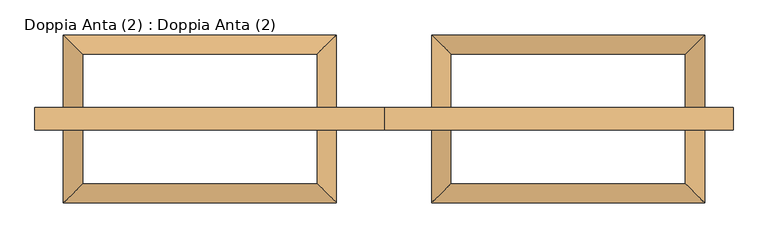
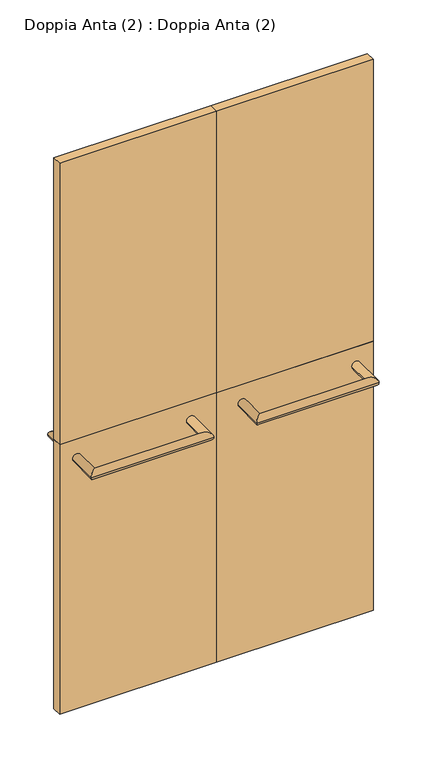
"""IFC4 building model written with IfcOpenShell, lengths in millimetres: door geometry, Doppia Anta (2) : Doppia Anta (2)."""

import ifcopenshell
import ifcopenshell.guid

model = None  # the IFC model being written
_history = None  # IfcOwnerHistory: only IFC2X3 demands one
_inside = {}  # id of a spatial element -> (the spatial element, [elements in it])
_under = {}  # id of a project, library or spatial element -> (it, [spatial elements below it])
_declared = {}  # id of a project -> (the project, [libraries it declares])
_typed = {}  # id of a type object -> (the type object, [elements of that type])
_made_of = {}  # id of a material, layer set ... -> (it, [elements and type objects made of it])


def new_model(schema):
    """Start an empty IFC model of exactly this schema.

    Asked for "IFC4X3", IfcOpenShell would pick the latest addendum, in which some entities
    have other attributes; the version numbers below select the first issue.
    IFC2X3 requires an IfcOwnerHistory on every rooted entity: one is made here for all.
    """
    global model, _history
    if schema == "IFC4X3":
        model = ifcopenshell.file(schema_version=(4, 3, 0, 0))
    else:
        model = ifcopenshell.file(schema=schema)
    _inside.clear()
    _under.clear()
    _declared.clear()
    _typed.clear()
    _made_of.clear()
    _history = None
    if model.schema == "IFC2X3":
        org = make("IfcOrganization", Name="unknown")
        user = make(
            "IfcPersonAndOrganization",
            ThePerson=make("IfcPerson", FamilyName="unknown"),
            TheOrganization=org,
        )
        app = make(
            "IfcApplication",
            ApplicationDeveloper=org,
            Version="unknown",
            ApplicationFullName="unknown",
            ApplicationIdentifier="unknown",
        )
        _history = make(
            "IfcOwnerHistory",
            OwningUser=user,
            OwningApplication=app,
            ChangeAction="ADDED",
            CreationDate=0,
        )
    return model


def make(cls, **values):
    """One entity of the class cls with the attributes given. An attribute that is None is left unset."""
    return model.create_entity(
        cls, **{name: value for name, value in values.items() if value is not None}
    )


def rooted(cls, **values):
    """An entity with a GlobalId (a new one), such as an element, a storey or a relation."""
    return make(cls, GlobalId=ifcopenshell.guid.new(), OwnerHistory=_history, **values)


def si_unit(unit_type, name, prefix=None):
    """IfcSIUnit, for example si_unit("LENGTHUNIT", "METRE", prefix="MILLI")."""
    return make("IfcSIUnit", UnitType=unit_type, Prefix=prefix, Name=name)


def assignment(units):
    """IfcUnitAssignment: the units of a project."""
    return None if units is None else make("IfcUnitAssignment", Units=units)


def point(xyz):
    """IfcCartesianPoint."""
    return None if xyz is None else make("IfcCartesianPoint", Coordinates=xyz)


def direction(xyz):
    """IfcDirection."""
    return None if xyz is None else make("IfcDirection", DirectionRatios=xyz)


def frame(location, z_axis=None, x_axis=None):
    """IfcAxis2Placement3D, a coordinate frame: its origin and axes. An axis left out is left unset."""
    return make(
        "IfcAxis2Placement3D",
        Location=point(location),
        Axis=direction(z_axis),
        RefDirection=direction(x_axis),
    )


def origin():
    """The frame at (0, 0, 0) with its axes left unset."""
    return frame((0.0, 0.0, 0.0))


def origin_with_axes():
    """The frame at (0, 0, 0) with the z axis (0, 0, 1) and the x axis (1, 0, 0) written out."""
    return frame((0.0, 0.0, 0.0), z_axis=(0.0, 0.0, 1.0), x_axis=(1.0, 0.0, 0.0))


def place(relative_to, where):
    """IfcLocalPlacement: puts the frame where relative to a parent placement (None: the world)."""
    return make(
        "IfcLocalPlacement", PlacementRelTo=relative_to, RelativePlacement=where
    )


def context(
    kind, dimensions, precision=None, world=None, true_north=None, identifier=None
):
    """IfcGeometricRepresentationContext, for example the 3D "Model" context."""
    return make(
        "IfcGeometricRepresentationContext",
        ContextIdentifier=identifier,
        ContextType=kind,
        CoordinateSpaceDimension=dimensions,
        Precision=precision,
        WorldCoordinateSystem=world,
        TrueNorth=true_north,
    )


def project(units=None, contexts=None):
    """IfcProject with its units and contexts."""
    return rooted(
        "IfcProject",
        Name="project",
        RepresentationContexts=contexts,
        UnitsInContext=assignment(units),
    )


def spatial(cls, under=None, at=None, **own):
    """A site, building, storey or space (cls), placed at a placement, below another one or the project."""
    s = rooted(cls, ObjectPlacement=at, **own)
    if under is not None:
        _under.setdefault(under.id(), (under, []))[1].append(s)
    return s


def polyline(points):
    """IfcPolyline through the points."""
    return make("IfcPolyline", Points=[point(p) for p in points])


def circle_curve(where, radius):
    """IfcCircle in the frame where."""
    return make("IfcCircle", Position=where, Radius=radius)


def ellipse_curve(where, semi_axis1, semi_axis2):
    """IfcEllipse in the frame where."""
    return make(
        "IfcEllipse", Position=where, SemiAxis1=semi_axis1, SemiAxis2=semi_axis2
    )


def outline(outer, holes=None, kind="AREA"):
    """IfcArbitraryClosedProfileDef: a profile drawn as a closed curve; with holes, ...WithVoids."""
    if holes is None:
        return make("IfcArbitraryClosedProfileDef", ProfileType=kind, OuterCurve=outer)
    return make(
        "IfcArbitraryProfileDefWithVoids",
        ProfileType=kind,
        OuterCurve=outer,
        InnerCurves=holes,
    )


def extrude(swept, where, along, depth):
    """IfcExtrudedAreaSolid: the profile swept, set in the frame where, extruded along a direction by depth."""
    return make(
        "IfcExtrudedAreaSolid",
        SweptArea=swept,
        Position=where,
        ExtrudedDirection=direction(along),
        Depth=depth,
    )


def shape(context_of_items, identifier, shape_type, items):
    """IfcShapeRepresentation: the items that make up one representation, for example the "Body"."""
    return make(
        "IfcShapeRepresentation",
        ContextOfItems=context_of_items,
        RepresentationIdentifier=identifier,
        RepresentationType=shape_type,
        Items=items,
    )


def source(mapping_origin, context_of_items, identifier, shape_type, items):
    """IfcRepresentationMap: a shape defined once, which mapped items show again and again."""
    return make(
        "IfcRepresentationMap",
        MappingOrigin=mapping_origin,
        MappedRepresentation=shape(context_of_items, identifier, shape_type, items),
    )


def transform(
    local_origin,
    x_axis=None,
    y_axis=None,
    z_axis=None,
    scale=None,
    scale2=None,
    scale3=None,
    uniform=True,
):
    """IfcCartesianTransformationOperator3D, or its non-uniform kind. x_axis, y_axis, z_axis: its Axis1, 2, 3."""
    if uniform:
        return make(
            "IfcCartesianTransformationOperator3D",
            Axis1=direction(x_axis),
            Axis2=direction(y_axis),
            LocalOrigin=point(local_origin),
            Scale=scale,
            Axis3=direction(z_axis),
        )
    return make(
        "IfcCartesianTransformationOperator3DnonUniform",
        Axis1=direction(x_axis),
        Axis2=direction(y_axis),
        LocalOrigin=point(local_origin),
        Scale=scale,
        Axis3=direction(z_axis),
        Scale2=scale2,
        Scale3=scale3,
    )


def mapped(mapping_source, mapping_target):
    """IfcMappedItem: shows the shape of a source again, moved by a transform."""
    return make(
        "IfcMappedItem", MappingSource=mapping_source, MappingTarget=mapping_target
    )


def made_of(thing, what):
    """Note that an element or type object is made of a material, layer set ...; save() writes the relation."""
    if what is not None:
        _made_of.setdefault(what.id(), (what, []))[1].append(thing)
    return thing


def element(
    cls,
    number,
    at=None,
    inside=None,
    cuts=None,
    type_object=None,
    material=None,
    context=None,
    identifier="Body",
    shape_type=None,
    held_by="IfcProductDefinitionShape",
    body=None,
    shapes=None,
    **own,
):
    """One element of the class cls, such as IfcWall. Its Tag is "e" and its number.

    at: its placement. inside: the storey or other place that contains it. cuts: it is an
    opening in that element (IfcRelVoidsElement). A single representation is given by context,
    identifier, shape_type and body (its items); several are given by shapes. held_by: the class
    of the entity that holds the representations. save() writes the other relations.
    """
    e = rooted(cls, Tag="e%d" % number, ObjectPlacement=at, **own)
    if body is not None:
        shapes = [shape(context, identifier, shape_type, body)]
    if shapes is not None:
        e.Representation = make(held_by, Representations=shapes)
    if inside is not None:
        _inside.setdefault(inside.id(), (inside, []))[1].append(e)
    if cuts is not None:
        rooted(
            "IfcRelVoidsElement", RelatingBuildingElement=cuts, RelatedOpeningElement=e
        )
    if type_object is not None:
        _typed.setdefault(type_object.id(), (type_object, []))[1].append(e)
    return made_of(e, material)


def aggregate(whole, parts):
    """IfcRelAggregates: a whole, such as a stair, and the parts it consists of."""
    return rooted("IfcRelAggregates", RelatingObject=whole, RelatedObjects=parts)


def save(model, path):
    """Write the relations noted so far, then the file.

    IfcRelAggregates (storeys below a building ...), IfcRelContainedInSpatialStructure (elements
    in a storey), IfcRelDefinesByType, IfcRelAssociatesMaterial and IfcRelDeclares: one each for
    every whole, place, type object, material and project.
    """
    for whole, parts in _under.values():
        aggregate(whole, parts)
    for where, things in _inside.values():
        rooted(
            "IfcRelContainedInSpatialStructure",
            RelatedElements=things,
            RelatingStructure=where,
        )
    for kind, things in _typed.values():
        rooted("IfcRelDefinesByType", RelatedObjects=things, RelatingType=kind)
    for what, things in _made_of.values():
        rooted("IfcRelAssociatesMaterial", RelatedObjects=things, RelatingMaterial=what)
    for by, libraries in _declared.values():
        rooted("IfcRelDeclares", RelatingContext=by, RelatedDefinitions=libraries)
    model.write(path)


def plane_surface(at):
    """IfcPlane: the flat surface through the origin of the frame at, square to its z axis."""
    return make("IfcPlane", Position=at)


def cylinder_surface(at, radius):
    """IfcCylindricalSurface: all points at the distance radius from the z axis of the frame at."""
    return make("IfcCylindricalSurface", Position=at, Radius=radius)


def advanced_brep(points, edges, surfaces, faces):
    """IfcAdvancedBrep: a solid bounded by faces that lie on surfaces and meet in shared edges.

    An edge is (start, end): straight between two places in points (the first is 0);
    or (start, end, curve); or (start, end, curve, False) where it runs against its curve.
    A face is (place in surfaces, loops), or (place, loops, False) where it looks against
    its surface's normal. A loop lists edges by number (the first is 1), with a minus sign
    where the edge is run from its end to its start. The first loop is the outer one.
    """
    corners = [point(p) for p in points]
    vertices = [make("IfcVertexPoint", VertexGeometry=c) for c in corners]
    made = []
    for start, end, *more in edges:
        made.append(
            make(
                "IfcEdgeCurve",
                EdgeStart=vertices[start],
                EdgeEnd=vertices[end],
                EdgeGeometry=more[0] if more else make("IfcPolyline", Points=[corners[start], corners[end]]),
                SameSense=more[1] if len(more) > 1 else True,
            )
        )
    hull = []
    for where, loops, *sense in faces:
        bounds = []
        for j, loop in enumerate(loops):
            ring = [make("IfcOrientedEdge", EdgeElement=made[abs(k) - 1], Orientation=k > 0) for k in loop]
            bounds.append(
                make(
                    "IfcFaceOuterBound" if j == 0 else "IfcFaceBound",
                    Bound=make("IfcEdgeLoop", EdgeList=ring),
                    Orientation=True,
                )
            )
        hull.append(make("IfcAdvancedFace", Bounds=bounds, FaceSurface=surfaces[where], SameSense=sense[0] if sense else True))
    return make("IfcAdvancedBrep", Outer=make("IfcClosedShell", CfsFaces=hull))


def doppia_anta_2_doppia_anta_2_6bb944df(model_context):
    return source(origin(), model_context, "Body", "SolidModel", [
        extrude(outline(polyline([(0.0, -17.5), (-550.1261251, -17.5), (-550.1261251, 17.5), (0.0, 17.5), (0.0, -17.5)])), origin_with_axes(), (0.0, 0.0, 1.0), 1000.0),
        extrude(outline(polyline([(0.0, -17.5), (-550.1261251, -17.5), (-550.1261251, 17.5), (0.0, 17.5), (0.0, -17.5)])), frame((0.0, 0.0, 1000.0), z_axis=(0.0, 0.0, 1.0), x_axis=(1.0, 0.0, 0.0)), (0.0, 0.0, 1.0), 1045.0),
        extrude(outline(polyline([(550.1261251, -17.5), (0.0, -17.5), (0.0, 17.5), (550.1261251, 17.5), (550.1261251, -17.5)])), frame((0.0, 0.0, 1000.0), z_axis=(0.0, 0.0, 1.0), x_axis=(1.0, 0.0, 0.0)), (0.0, 0.0, 1.0), 1045.0),
        extrude(outline(polyline([(550.1261251, -17.5), (0.0, -17.5), (0.0, 17.5), (550.1261251, 17.5), (550.1261251, -17.5)])), origin_with_axes(), (0.0, 0.0, 1.0), 1000.0),
        advanced_brep(
        [(75.08, -17.5, 931.6623818), (105.08, -17.5, 931.6623818), (75.08, -132.5, 931.6623818), (105.08, -102.5, 931.6623818), (505.08, -132.5, 931.6623818), (475.08, -102.5, 931.6623818), (505.08, -17.5, 931.6623818), (475.08, -17.5, 931.6623818)],
        [
            (0, 1, circle_curve(frame((90.08, -17.5, 931.6623818), z_axis=(0.0, 1.0, 0.0), x_axis=(1.0, 0.0, 0.0)), 15.0)),
            (1, 0, circle_curve(frame((90.08, -17.5, 931.6623818), z_axis=(0.0, 1.0, 0.0), x_axis=(1.0, 0.0, 0.0)), 15.0)),
            (0, 2),
            (2, 3, ellipse_curve(frame((90.08, -117.5, 931.6623818), z_axis=(-0.7071067811865475, 0.7071067811865475, 0.0), x_axis=(0.7071067811865474, 0.7071067811865476, 0.0)), 21.2132034, 15.0)),
            (3, 1),
            (3, 2, ellipse_curve(frame((90.08, -117.5, 931.6623818), z_axis=(-0.7071067811865475, 0.7071067811865475, 0.0), x_axis=(0.7071067811865474, 0.7071067811865476, 0.0)), 21.2132034, 15.0)),
            (2, 4),
            (4, 5, ellipse_curve(frame((490.08, -117.5, 931.6623818), z_axis=(-0.7071067811865475, -0.7071067811865475, 0.0), x_axis=(-0.7071067811865476, 0.7071067811865474, 0.0)), 21.2132034, 15.0)),
            (5, 3),
            (5, 4, ellipse_curve(frame((490.08, -117.5, 931.6623818), z_axis=(-0.7071067811865475, -0.7071067811865475, 0.0), x_axis=(-0.7071067811865476, 0.7071067811865474, 0.0)), 21.2132034, 15.0)),
            (6, 7, circle_curve(frame((490.08, -17.5, 931.6623818), z_axis=(0.0, 1.0, 0.0), x_axis=(-1.0, 0.0, 0.0)), 15.0)),
            (7, 6, circle_curve(frame((490.08, -17.5, 931.6623818), z_axis=(0.0, 1.0, 0.0), x_axis=(-1.0, 0.0, 0.0)), 15.0)),
            (4, 6),
            (7, 5),
        ],
        [
            plane_surface(frame((90.08, -17.5, 931.6623818), z_axis=(0.0, 1.0, 0.0), x_axis=(0.0, 0.0, 1.0))),
            cylinder_surface(frame((90.08, -17.5, 931.6623818), z_axis=(0.0, 1.0, 0.0), x_axis=(1.0, 0.0, 0.0)), 15.0),
            cylinder_surface(frame((90.08, -117.5, 931.6623818), z_axis=(-1.0, 0.0, 0.0), x_axis=(0.0, 1.0, 0.0)), 15.0),
            plane_surface(frame((490.08, -17.5, 931.6623818), z_axis=(0.0, 1.0, 0.0), x_axis=(0.0, 0.0, 1.0))),
            cylinder_surface(frame((490.08, -117.5, 931.6623818), z_axis=(0.0, -1.0, 0.0), x_axis=(-1.0, 0.0, 0.0)), 15.0),
        ],
        [
            (0, [[1, 2]]),
            (1, [[-1, 3, 4, 5]]),
            (1, [[-2, -5, 6, -3]]),
            (2, [[-4, 7, 8, 9]]),
            (2, [[-6, -9, 10, -7]]),
            (3, [[11, 12]]),
            (4, [[-8, 13, -12, 14]]),
            (4, [[-10, -14, -11, -13]]),
        ],
    ),
        advanced_brep(
        [(-505.0798099, -17.5, 931.6623818), (-475.0798099, -17.5, 931.6623818), (-505.0798099, -132.5, 931.6623818), (-475.0798099, -102.5, 931.6623818), (-75.0798099, -132.5, 931.6623818), (-105.0798099, -102.5, 931.6623818), (-75.0798099, -17.5, 931.6623818), (-105.0798099, -17.5, 931.6623818)],
        [
            (0, 1, circle_curve(frame((-490.0798099, -17.5, 931.6623818), z_axis=(0.0, 1.0, 0.0), x_axis=(1.0, 0.0, 0.0)), 15.0)),
            (1, 0, circle_curve(frame((-490.0798099, -17.5, 931.6623818), z_axis=(0.0, 1.0, 0.0), x_axis=(1.0, 0.0, 0.0)), 15.0)),
            (0, 2),
            (2, 3, ellipse_curve(frame((-490.0798099, -117.5, 931.6623818), z_axis=(-0.7071067811865475, 0.7071067811865475, 0.0), x_axis=(0.7071067811865474, 0.7071067811865476, 0.0)), 21.2132034, 15.0)),
            (3, 1),
            (3, 2, ellipse_curve(frame((-490.0798099, -117.5, 931.6623818), z_axis=(-0.7071067811865475, 0.7071067811865475, 0.0), x_axis=(0.7071067811865474, 0.7071067811865476, 0.0)), 21.2132034, 15.0)),
            (2, 4),
            (4, 5, ellipse_curve(frame((-90.0798099, -117.5, 931.6623818), z_axis=(-0.7071067811865475, -0.7071067811865475, 0.0), x_axis=(-0.7071067811865476, 0.7071067811865474, 0.0)), 21.2132034, 15.0)),
            (5, 3),
            (5, 4, ellipse_curve(frame((-90.0798099, -117.5, 931.6623818), z_axis=(-0.7071067811865475, -0.7071067811865475, 0.0), x_axis=(-0.7071067811865476, 0.7071067811865474, 0.0)), 21.2132034, 15.0)),
            (6, 7, circle_curve(frame((-90.0798099, -17.5, 931.6623818), z_axis=(0.0, 1.0, 0.0), x_axis=(-1.0, 0.0, 0.0)), 15.0)),
            (7, 6, circle_curve(frame((-90.0798099, -17.5, 931.6623818), z_axis=(0.0, 1.0, 0.0), x_axis=(-1.0, 0.0, 0.0)), 15.0)),
            (4, 6),
            (7, 5),
        ],
        [
            plane_surface(frame((-490.0798099, -17.5, 931.6623818), z_axis=(0.0, 1.0, 0.0), x_axis=(0.0, 0.0, 1.0))),
            cylinder_surface(frame((-490.0798099, -17.5, 931.6623818), z_axis=(0.0, 1.0, 0.0), x_axis=(1.0, 0.0, 0.0)), 15.0),
            cylinder_surface(frame((-490.0798099, -117.5, 931.6623818), z_axis=(-1.0, 0.0, 0.0), x_axis=(0.0, 1.0, 0.0)), 15.0),
            plane_surface(frame((-90.0798099, -17.5, 931.6623818), z_axis=(0.0, 1.0, 0.0), x_axis=(0.0, 0.0, 1.0))),
            cylinder_surface(frame((-90.0798099, -117.5, 931.6623818), z_axis=(0.0, -1.0, 0.0), x_axis=(-1.0, 0.0, 0.0)), 15.0),
        ],
        [
            (0, [[1, 2]]),
            (1, [[-1, 3, 4, 5]]),
            (1, [[-2, -5, 6, -3]]),
            (2, [[-4, 7, 8, 9]]),
            (2, [[-6, -9, 10, -7]]),
            (3, [[11, 12]]),
            (4, [[-8, 13, -12, 14]]),
            (4, [[-10, -14, -11, -13]]),
        ],
    ),
        advanced_brep(
        [(105.08, 17.5, 931.6623818), (75.08, 17.5, 931.6623818), (105.08, 102.5, 931.6623818), (75.08, 132.5, 931.6623818), (475.08, 102.5, 931.6623818), (505.08, 132.5, 931.6623818), (475.08, 17.5, 931.6623818), (505.08, 17.5, 931.6623818)],
        [
            (0, 1, circle_curve(frame((90.08, 17.5, 931.6623818), z_axis=(0.0, -1.0, 0.0), x_axis=(-1.0, 0.0, 0.0)), 15.0)),
            (1, 0, circle_curve(frame((90.08, 17.5, 931.6623818), z_axis=(0.0, -1.0, 0.0), x_axis=(-1.0, 0.0, 0.0)), 15.0)),
            (0, 2),
            (2, 3, ellipse_curve(frame((90.08, 117.5, 931.6623818), z_axis=(-0.7071067811865475, -0.7071067811865475, 0.0), x_axis=(0.7071067811865474, -0.7071067811865476, 0.0)), 21.2132034, 15.0)),
            (3, 1),
            (3, 2, ellipse_curve(frame((90.08, 117.5, 931.6623818), z_axis=(-0.7071067811865475, -0.7071067811865475, 0.0), x_axis=(0.7071067811865474, -0.7071067811865476, 0.0)), 21.2132034, 15.0)),
            (2, 4),
            (4, 5, ellipse_curve(frame((490.08, 117.5, 931.6623818), z_axis=(-0.7071067811865475, 0.7071067811865475, 0.0), x_axis=(-0.7071067811865476, -0.7071067811865474, 0.0)), 21.2132034, 15.0)),
            (5, 3),
            (5, 4, ellipse_curve(frame((490.08, 117.5, 931.6623818), z_axis=(-0.7071067811865475, 0.7071067811865475, 0.0), x_axis=(-0.7071067811865476, -0.7071067811865474, 0.0)), 21.2132034, 15.0)),
            (6, 7, circle_curve(frame((490.08, 17.5, 931.6623818), z_axis=(0.0, -1.0, 0.0), x_axis=(1.0, 0.0, 0.0)), 15.0)),
            (7, 6, circle_curve(frame((490.08, 17.5, 931.6623818), z_axis=(0.0, -1.0, 0.0), x_axis=(1.0, 0.0, 0.0)), 15.0)),
            (4, 6),
            (7, 5),
        ],
        [
            plane_surface(frame((90.08, 17.5, 931.6623818), z_axis=(0.0, -1.0, 0.0), x_axis=(0.0, 0.0, 1.0))),
            cylinder_surface(frame((90.08, 17.5, 931.6623818), z_axis=(0.0, -1.0, 0.0), x_axis=(-1.0, 0.0, 0.0)), 15.0),
            cylinder_surface(frame((90.08, 117.5, 931.6623818), z_axis=(-1.0, 0.0, 0.0), x_axis=(0.0, 1.0, 0.0)), 15.0),
            plane_surface(frame((490.08, 17.5, 931.6623818), z_axis=(0.0, -1.0, 0.0), x_axis=(0.0, 0.0, 1.0))),
            cylinder_surface(frame((490.08, 117.5, 931.6623818), z_axis=(0.0, 1.0, 0.0), x_axis=(1.0, 0.0, 0.0)), 15.0),
        ],
        [
            (0, [[1, 2]]),
            (1, [[-1, 3, 4, 5]]),
            (1, [[-2, -5, 6, -3]]),
            (2, [[-4, 7, 8, 9]]),
            (2, [[-6, -9, 10, -7]]),
            (3, [[11, 12]]),
            (4, [[-8, 13, -12, 14]]),
            (4, [[-10, -14, -11, -13]]),
        ],
    ),
        advanced_brep(
        [(-75.0798099, 17.5, 931.6623818), (-105.0798099, 17.5, 931.6623818), (-75.0798099, 132.5, 931.6623818), (-105.0798099, 102.5, 931.6623818), (-505.0798099, 132.5, 931.6623818), (-475.0798099, 102.5, 931.6623818), (-505.0798099, 17.5, 931.6623818), (-475.0798099, 17.5, 931.6623818)],
        [
            (0, 1, circle_curve(frame((-90.0798099, 17.5, 931.6623818), z_axis=(0.0, -1.0, 0.0), x_axis=(-1.0, 0.0, 0.0)), 15.0)),
            (1, 0, circle_curve(frame((-90.0798099, 17.5, 931.6623818), z_axis=(0.0, -1.0, 0.0), x_axis=(-1.0, 0.0, 0.0)), 15.0)),
            (0, 2),
            (2, 3, ellipse_curve(frame((-90.0798099, 117.5, 931.6623818), z_axis=(0.7071067811865475, -0.7071067811865475, 0.0), x_axis=(-0.7071067811865474, -0.7071067811865476, 0.0)), 21.2132034, 15.0)),
            (3, 1),
            (3, 2, ellipse_curve(frame((-90.0798099, 117.5, 931.6623818), z_axis=(0.7071067811865475, -0.7071067811865475, 0.0), x_axis=(-0.7071067811865474, -0.7071067811865476, 0.0)), 21.2132034, 15.0)),
            (2, 4),
            (4, 5, ellipse_curve(frame((-490.0798099, 117.5, 931.6623818), z_axis=(0.7071067811865475, 0.7071067811865475, 0.0), x_axis=(0.7071067811865476, -0.7071067811865474, 0.0)), 21.2132034, 15.0)),
            (5, 3),
            (5, 4, ellipse_curve(frame((-490.0798099, 117.5, 931.6623818), z_axis=(0.7071067811865475, 0.7071067811865475, 0.0), x_axis=(0.7071067811865476, -0.7071067811865474, 0.0)), 21.2132034, 15.0)),
            (6, 7, circle_curve(frame((-490.0798099, 17.5, 931.6623818), z_axis=(0.0, -1.0, 0.0), x_axis=(1.0, 0.0, 0.0)), 15.0)),
            (7, 6, circle_curve(frame((-490.0798099, 17.5, 931.6623818), z_axis=(0.0, -1.0, 0.0), x_axis=(1.0, 0.0, 0.0)), 15.0)),
            (4, 6),
            (7, 5),
        ],
        [
            plane_surface(frame((-90.0798099, 17.5, 931.6623818), z_axis=(0.0, -1.0, 0.0), x_axis=(0.0, 0.0, 1.0))),
            cylinder_surface(frame((-90.0798099, 17.5, 931.6623818), z_axis=(0.0, -1.0, 0.0), x_axis=(-1.0, 0.0, 0.0)), 15.0),
            cylinder_surface(frame((-90.0798099, 117.5, 931.6623818), z_axis=(1.0, 0.0, 0.0), x_axis=(0.0, -1.0, 0.0)), 15.0),
            plane_surface(frame((-490.0798099, 17.5, 931.6623818), z_axis=(0.0, -1.0, 0.0), x_axis=(0.0, 0.0, 1.0))),
            cylinder_surface(frame((-490.0798099, 117.5, 931.6623818), z_axis=(0.0, 1.0, 0.0), x_axis=(1.0, 0.0, 0.0)), 15.0),
        ],
        [
            (0, [[1, 2]]),
            (1, [[-1, 3, 4, 5]]),
            (1, [[-2, -5, 6, -3]]),
            (2, [[-4, 7, 8, 9]]),
            (2, [[-6, -9, 10, -7]]),
            (3, [[11, 12]]),
            (4, [[-8, 13, -12, 14]]),
            (4, [[-10, -14, -11, -13]]),
        ],
    ),
    ])


if __name__ == "__main__":
    model = new_model("IFC4")
    model_context = context("Model", 3, world=origin())
    ifc_project = project(units=[si_unit("LENGTHUNIT", "METRE", prefix="MILLI")], contexts=[model_context])
    site = spatial("IfcSite", under=ifc_project)
    building = spatial("IfcBuilding", under=site)
    placement = place(None, origin())
    doppia_anta_2_doppia_anta_2_shape = doppia_anta_2_doppia_anta_2_6bb944df(model_context)
    element("IfcDoor", 1, ObjectType="Doppia Anta (2) : Doppia Anta (2)", at=placement, inside=building, context=model_context, shape_type="MappedRepresentation", body=[
        mapped(doppia_anta_2_doppia_anta_2_shape, transform((0.0, 0.0, 0.0), x_axis=(1.0, 0.0, 0.0), y_axis=(0.0, 1.0, 0.0), z_axis=(0.0, 0.0, 1.0))),
    ])
    save(model, "model.ifc")
